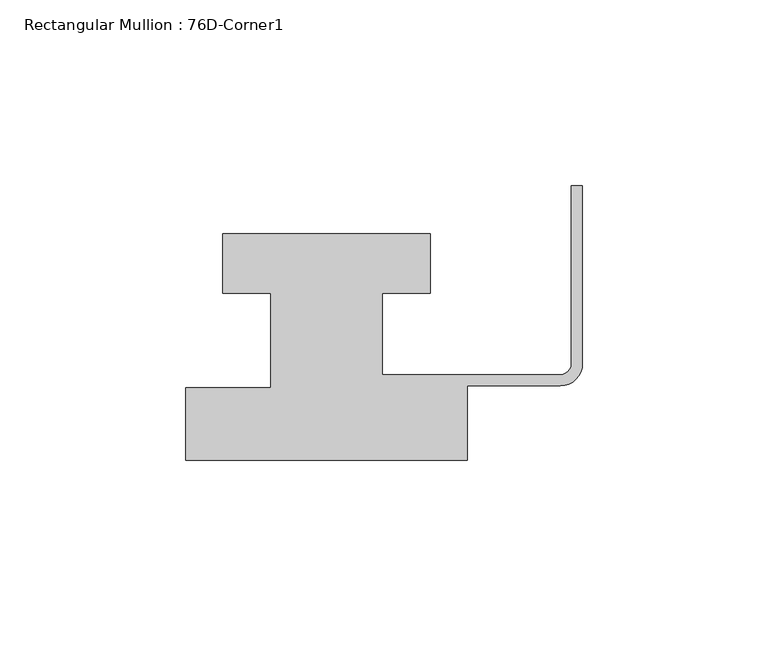
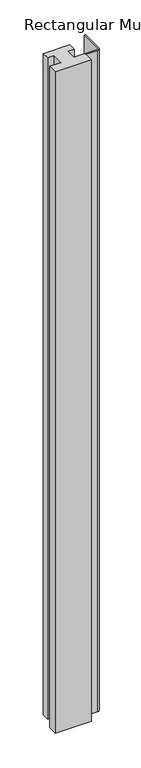
"""IFC4 building model written with IfcOpenShell, lengths in millimetres: member geometry, Rectangular Mullion : 76D-Corner1."""

import ifcopenshell
import ifcopenshell.guid

model = None  # the IFC model being written
_history = None  # IfcOwnerHistory: only IFC2X3 demands one
_inside = {}  # id of a spatial element -> (the spatial element, [elements in it])
_under = {}  # id of a project, library or spatial element -> (it, [spatial elements below it])
_declared = {}  # id of a project -> (the project, [libraries it declares])
_typed = {}  # id of a type object -> (the type object, [elements of that type])
_made_of = {}  # id of a material, layer set ... -> (it, [elements and type objects made of it])


def new_model(schema):
    """Start an empty IFC model of exactly this schema.

    Asked for "IFC4X3", IfcOpenShell would pick the latest addendum, in which some entities
    have other attributes; the version numbers below select the first issue.
    IFC2X3 requires an IfcOwnerHistory on every rooted entity: one is made here for all.
    """
    global model, _history
    if schema == "IFC4X3":
        model = ifcopenshell.file(schema_version=(4, 3, 0, 0))
    else:
        model = ifcopenshell.file(schema=schema)
    _inside.clear()
    _under.clear()
    _declared.clear()
    _typed.clear()
    _made_of.clear()
    _history = None
    if model.schema == "IFC2X3":
        org = make("IfcOrganization", Name="unknown")
        user = make(
            "IfcPersonAndOrganization",
            ThePerson=make("IfcPerson", FamilyName="unknown"),
            TheOrganization=org,
        )
        app = make(
            "IfcApplication",
            ApplicationDeveloper=org,
            Version="unknown",
            ApplicationFullName="unknown",
            ApplicationIdentifier="unknown",
        )
        _history = make(
            "IfcOwnerHistory",
            OwningUser=user,
            OwningApplication=app,
            ChangeAction="ADDED",
            CreationDate=0,
        )
    return model


def make(cls, **values):
    """One entity of the class cls with the attributes given. An attribute that is None is left unset."""
    return model.create_entity(
        cls, **{name: value for name, value in values.items() if value is not None}
    )


def rooted(cls, **values):
    """An entity with a GlobalId (a new one), such as an element, a storey or a relation."""
    return make(cls, GlobalId=ifcopenshell.guid.new(), OwnerHistory=_history, **values)


def si_unit(unit_type, name, prefix=None):
    """IfcSIUnit, for example si_unit("LENGTHUNIT", "METRE", prefix="MILLI")."""
    return make("IfcSIUnit", UnitType=unit_type, Prefix=prefix, Name=name)


def assignment(units):
    """IfcUnitAssignment: the units of a project."""
    return None if units is None else make("IfcUnitAssignment", Units=units)


def point(xyz):
    """IfcCartesianPoint."""
    return None if xyz is None else make("IfcCartesianPoint", Coordinates=xyz)


def direction(xyz):
    """IfcDirection."""
    return None if xyz is None else make("IfcDirection", DirectionRatios=xyz)


def frame(location, z_axis=None, x_axis=None):
    """IfcAxis2Placement3D, a coordinate frame: its origin and axes. An axis left out is left unset."""
    return make(
        "IfcAxis2Placement3D",
        Location=point(location),
        Axis=direction(z_axis),
        RefDirection=direction(x_axis),
    )


def frame_2d(location, x_axis=None):
    """IfcAxis2Placement2D, a coordinate frame in the plane: its origin and x axis."""
    return make(
        "IfcAxis2Placement2D", Location=point(location), RefDirection=direction(x_axis)
    )


def origin():
    """The frame at (0, 0, 0) with its axes left unset."""
    return frame((0.0, 0.0, 0.0))


def place(relative_to, where):
    """IfcLocalPlacement: puts the frame where relative to a parent placement (None: the world)."""
    return make(
        "IfcLocalPlacement", PlacementRelTo=relative_to, RelativePlacement=where
    )


def context(
    kind, dimensions, precision=None, world=None, true_north=None, identifier=None
):
    """IfcGeometricRepresentationContext, for example the 3D "Model" context."""
    return make(
        "IfcGeometricRepresentationContext",
        ContextIdentifier=identifier,
        ContextType=kind,
        CoordinateSpaceDimension=dimensions,
        Precision=precision,
        WorldCoordinateSystem=world,
        TrueNorth=true_north,
    )


def project(units=None, contexts=None):
    """IfcProject with its units and contexts."""
    return rooted(
        "IfcProject",
        Name="project",
        RepresentationContexts=contexts,
        UnitsInContext=assignment(units),
    )


def spatial(cls, under=None, at=None, **own):
    """A site, building, storey or space (cls), placed at a placement, below another one or the project."""
    s = rooted(cls, ObjectPlacement=at, **own)
    if under is not None:
        _under.setdefault(under.id(), (under, []))[1].append(s)
    return s


def polyline(points):
    """IfcPolyline through the points."""
    return make("IfcPolyline", Points=[point(p) for p in points])


def circle_curve(where, radius):
    """IfcCircle in the frame where."""
    return make("IfcCircle", Position=where, Radius=radius)


def trimmed(basis, trim1, trim2, sense, master):
    """IfcTrimmedCurve: the piece of a basis curve between two trims."""
    return make(
        "IfcTrimmedCurve",
        BasisCurve=basis,
        Trim1=trim1,
        Trim2=trim2,
        SenseAgreement=sense,
        MasterRepresentation=master,
    )


def segment(curve, same_sense, transition):
    """IfcCompositeCurveSegment."""
    return make(
        "IfcCompositeCurveSegment",
        Transition=transition,
        SameSense=same_sense,
        ParentCurve=curve,
    )


def composite_curve(segments, self_intersect=None):
    """IfcCompositeCurve: segments joined end to end."""
    return make("IfcCompositeCurve", Segments=segments, SelfIntersect=self_intersect)


def outline(outer, holes=None, kind="AREA"):
    """IfcArbitraryClosedProfileDef: a profile drawn as a closed curve; with holes, ...WithVoids."""
    if holes is None:
        return make("IfcArbitraryClosedProfileDef", ProfileType=kind, OuterCurve=outer)
    return make(
        "IfcArbitraryProfileDefWithVoids",
        ProfileType=kind,
        OuterCurve=outer,
        InnerCurves=holes,
    )


def extrude(swept, where, along, depth):
    """IfcExtrudedAreaSolid: the profile swept, set in the frame where, extruded along a direction by depth."""
    return make(
        "IfcExtrudedAreaSolid",
        SweptArea=swept,
        Position=where,
        ExtrudedDirection=direction(along),
        Depth=depth,
    )


def shape(context_of_items, identifier, shape_type, items):
    """IfcShapeRepresentation: the items that make up one representation, for example the "Body"."""
    return make(
        "IfcShapeRepresentation",
        ContextOfItems=context_of_items,
        RepresentationIdentifier=identifier,
        RepresentationType=shape_type,
        Items=items,
    )


def source(mapping_origin, context_of_items, identifier, shape_type, items):
    """IfcRepresentationMap: a shape defined once, which mapped items show again and again."""
    return make(
        "IfcRepresentationMap",
        MappingOrigin=mapping_origin,
        MappedRepresentation=shape(context_of_items, identifier, shape_type, items),
    )


def transform(
    local_origin,
    x_axis=None,
    y_axis=None,
    z_axis=None,
    scale=None,
    scale2=None,
    scale3=None,
    uniform=True,
):
    """IfcCartesianTransformationOperator3D, or its non-uniform kind. x_axis, y_axis, z_axis: its Axis1, 2, 3."""
    if uniform:
        return make(
            "IfcCartesianTransformationOperator3D",
            Axis1=direction(x_axis),
            Axis2=direction(y_axis),
            LocalOrigin=point(local_origin),
            Scale=scale,
            Axis3=direction(z_axis),
        )
    return make(
        "IfcCartesianTransformationOperator3DnonUniform",
        Axis1=direction(x_axis),
        Axis2=direction(y_axis),
        LocalOrigin=point(local_origin),
        Scale=scale,
        Axis3=direction(z_axis),
        Scale2=scale2,
        Scale3=scale3,
    )


def mapped(mapping_source, mapping_target):
    """IfcMappedItem: shows the shape of a source again, moved by a transform."""
    return make(
        "IfcMappedItem", MappingSource=mapping_source, MappingTarget=mapping_target
    )


def made_of(thing, what):
    """Note that an element or type object is made of a material, layer set ...; save() writes the relation."""
    if what is not None:
        _made_of.setdefault(what.id(), (what, []))[1].append(thing)
    return thing


def element(
    cls,
    number,
    at=None,
    inside=None,
    cuts=None,
    type_object=None,
    material=None,
    context=None,
    identifier="Body",
    shape_type=None,
    held_by="IfcProductDefinitionShape",
    body=None,
    shapes=None,
    **own,
):
    """One element of the class cls, such as IfcWall. Its Tag is "e" and its number.

    at: its placement. inside: the storey or other place that contains it. cuts: it is an
    opening in that element (IfcRelVoidsElement). A single representation is given by context,
    identifier, shape_type and body (its items); several are given by shapes. held_by: the class
    of the entity that holds the representations. save() writes the other relations.
    """
    e = rooted(cls, Tag="e%d" % number, ObjectPlacement=at, **own)
    if body is not None:
        shapes = [shape(context, identifier, shape_type, body)]
    if shapes is not None:
        e.Representation = make(held_by, Representations=shapes)
    if inside is not None:
        _inside.setdefault(inside.id(), (inside, []))[1].append(e)
    if cuts is not None:
        rooted(
            "IfcRelVoidsElement", RelatingBuildingElement=cuts, RelatedOpeningElement=e
        )
    if type_object is not None:
        _typed.setdefault(type_object.id(), (type_object, []))[1].append(e)
    return made_of(e, material)


def aggregate(whole, parts):
    """IfcRelAggregates: a whole, such as a stair, and the parts it consists of."""
    return rooted("IfcRelAggregates", RelatingObject=whole, RelatedObjects=parts)


def save(model, path):
    """Write the relations noted so far, then the file.

    IfcRelAggregates (storeys below a building ...), IfcRelContainedInSpatialStructure (elements
    in a storey), IfcRelDefinesByType, IfcRelAssociatesMaterial and IfcRelDeclares: one each for
    every whole, place, type object, material and project.
    """
    for whole, parts in _under.values():
        aggregate(whole, parts)
    for where, things in _inside.values():
        rooted(
            "IfcRelContainedInSpatialStructure",
            RelatedElements=things,
            RelatingStructure=where,
        )
    for kind, things in _typed.values():
        rooted("IfcRelDefinesByType", RelatedObjects=things, RelatingType=kind)
    for what, things in _made_of.values():
        rooted("IfcRelAssociatesMaterial", RelatedObjects=things, RelatingMaterial=what)
    for by, libraries in _declared.values():
        rooted("IfcRelDeclares", RelatingContext=by, RelatedDefinitions=libraries)
    model.write(path)


def rectangular_mullion_76d_corner1_56064a9a(model_context):
    return source(origin(), model_context, "Body", "SweptSolid", [
        extrude(outline(composite_curve([segment(polyline([(-107.0, -20.0), (-107.0, -0.5), (-84.0, -0.5), (-84.0, 25.0), (-97.0, 25.0), (-97.0, 41.0), (-41.0, 41.0), (-41.0, 25.0), (-54.0, 25.0), (-54.0, 3.0), (-6.0, 3.0)]), True, "CONTINUOUS"), segment(trimmed(circle_curve(frame_2d((-6.0, 6.0)), 3.0), [point((-6.0, 3.0))], [point((-3.0, 6.0))], True, "CARTESIAN"), True, "CONTINUOUS"), segment(polyline([(-3.0, 6.0), (-3.0, 54.0), (0.0, 54.0), (0.0, 6.0)]), True, "CONTINUOUS"), segment(trimmed(circle_curve(frame_2d((-6.0, 6.0)), 6.0), [point((0.0, 6.0))], [point((-6.0, 0.0))], False, "CARTESIAN"), True, "CONTINUOUS"), segment(polyline([(-6.0, 0.0), (-31.0, 0.0), (-31.0, -20.0), (-107.0, -20.0)]), True, "CONTINUOUS")], self_intersect=False)), frame((0.0, 0.0, -1477.534293), z_axis=(0.0, 0.0, 1.0), x_axis=(1.0, 0.0, 0.0)), (0.0, 0.0, 1.0), 1477.534293),
    ])


if __name__ == "__main__":
    model = new_model("IFC4")
    model_context = context("Model", 3, world=origin())
    ifc_project = project(units=[si_unit("LENGTHUNIT", "METRE", prefix="MILLI")], contexts=[model_context])
    site = spatial("IfcSite", under=ifc_project)
    building = spatial("IfcBuilding", under=site)
    placement = place(None, origin())
    rectangular_mullion_76d_corner1_shape = rectangular_mullion_76d_corner1_56064a9a(model_context)
    element("IfcMember", 1, ObjectType="Rectangular Mullion : 76D-Corner1", at=placement, inside=building, context=model_context, shape_type="MappedRepresentation", body=[
        mapped(rectangular_mullion_76d_corner1_shape, transform((0.0, 0.0, 0.0), x_axis=(1.0, 0.0, 0.0), y_axis=(0.0, 1.0, 0.0), z_axis=(0.0, 0.0, 1.0))),
    ])
    save(model, "model.ifc")
